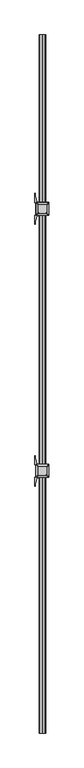
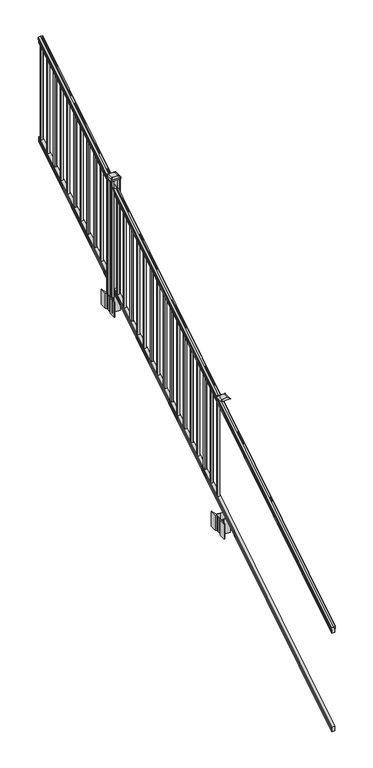
"""IFC4 building model written with IfcOpenShell, lengths in millimetres: railing geometry."""

from ifc_helpers import new_model, si_unit, point, frame, frame_2d, origin, place, context, project, spatial, polyline, circle_curve, ellipse_curve, trimmed, segment, composite_curve, outline, extrude, faceted_brep, source, transform, mapped, element, save
from ifc_brep_helpers import plane_surface, cylinder_surface, revolved_surface, extruded_surface, advanced_brep


def railing_9f5649a4(model_context):
    return source(origin(), model_context, "Body", "SolidModel", [
        advanced_brep(
        [(14004.9130321, -7669.8194681, 1285.6070492), (14004.9130321, -7669.8194681, 1287.8335658), (14006.0432184, -7669.8194681, 1289.6758543), (14006.0432184, -7669.8194681, 1298.1876358), (14005.393962, -7669.8194681, 1301.0572588), (14007.893962, -7669.8194681, 1306.1635509), (14009.3033045, -7669.8194681, 1308.1442021), (14009.7052035, -7669.8194681, 1309.4469579), (14009.7052034, -7669.8194681, 1311.0274846), (14008.1517561, -7669.8194681, 1312.8593836), (13987.4802034, -7669.8194681, 1312.8593836), (13966.8086506, -7669.8194681, 1312.8593836), (13965.2552034, -7669.8194681, 1311.0274846), (13965.2552034, -7669.8194681, 1309.4469579), (13965.6571023, -7669.8194681, 1308.1442021), (13967.0664447, -7669.8194681, 1306.1635509), (13969.5664447, -7669.8194681, 1301.0572588), (13968.9171883, -7669.8194681, 1298.1876358), (13968.9171883, -7669.8194681, 1289.6758543), (13970.0473746, -7669.8194681, 1287.8335658), (13970.0473746, -7669.8194681, 1285.6070492), (13972.6212034, -7669.8194681, 1285.6070492), (13972.6212034, -7669.8194681, 1273.225537), (13971.6052034, -7669.8194681, 1272.0274214), (13971.6052034, -7669.8194681, 1257.3), (14003.3552034, -7669.8194681, 1257.3), (14003.3552034, -7669.8194681, 1271.841318), (14002.3392034, -7669.8194681, 1273.0394336), (14002.3392034, -7669.8194681, 1285.6070492), (14004.9130321, -2793.0194681, 4333.6070492), (14002.3392034, -2793.0194681, 4333.6070492), (14002.3392034, -2793.0194681, 4321.0394336), (14003.3552034, -2793.0194681, 4319.841318), (14003.3552034, -2793.0194681, 4305.3), (13971.6052034, -2793.0194681, 4305.3), (13971.6052034, -2793.0194681, 4320.0274214), (13972.6212034, -2793.0194681, 4321.225537), (13972.6212034, -2793.0194681, 4333.6070492), (13970.0473746, -2793.0194681, 4333.6070492), (13970.0473746, -2793.0194681, 4335.8335658), (13968.9171883, -2793.0194681, 4337.6758543), (13968.9171883, -2793.0194681, 4346.1876358), (13969.5664447, -2793.0194681, 4349.0572588), (13967.0664447, -2793.0194681, 4354.1635509), (13965.6571023, -2793.0194681, 4356.1442021), (13965.2552033, -2793.0194681, 4357.4469579), (13965.2552034, -2793.0194681, 4359.0274846), (13966.8086506, -2793.0194681, 4360.8593836), (13987.4802034, -2793.0194681, 4360.8593836), (14008.1517561, -2793.0194681, 4360.8593836), (14009.7052034, -2793.0194681, 4359.0274846), (14009.7052034, -2793.0194681, 4357.4469579), (14009.3033045, -2793.0194681, 4356.1442021), (14007.893962, -2793.0194681, 4354.1635509), (14005.393962, -2793.0194681, 4349.0572588), (14006.0432184, -2793.0194681, 4346.1876358), (14006.0432184, -2793.0194681, 4337.6758543), (14004.9130321, -2793.0194681, 4335.8335658)],
        [
            (0, 1),
            (1, 2, ellipse_curve(frame((13998.5982788, -7669.8194681, 1294.6239405), z_axis=(0.0, -1.0, 0.0), x_axis=(0.0, 0.0, -1.0)), 10.0777926, 8.545951)),
            (2, 3, ellipse_curve(frame((13999.0353418, -7669.8194681, 1293.9317451), z_axis=(0.0, -1.0, 0.0), x_axis=(0.0, 0.0, -1.0)), 9.2955186, 7.882584)),
            (3, 4, ellipse_curve(frame((14009.5486659, -7669.8194681, 1300.8275077), z_axis=(0.0, 1.0, 0.0), x_axis=(0.0, 0.0, 1.0)), 4.9048088, 4.1592695)),
            (4, 5, ellipse_curve(frame((14010.8359725, -7669.8194681, 1300.7563208), z_axis=(0.0, 1.0, 0.0), x_axis=(0.0, 0.0, 1.0)), 6.4245301, 5.4479907)),
            (5, 6, ellipse_curve(frame((14009.602814, -7669.8194681, 1306.1602333), z_axis=(0.0, 1.0, 0.0), x_axis=(0.0, 0.0, 1.0)), 2.0151625, 1.7088543)),
            (6, 7, ellipse_curve(frame((14007.9859139, -7669.8194681, 1309.4469579), z_axis=(0.0, -1.0, 0.0), x_axis=(0.0, 0.0, -1.0)), 2.0274681, 1.7192895)),
            (7, 8),
            (8, 9, ellipse_curve(frame((14008.1517561, -7669.8194681, 1311.0274846), z_axis=(0.0, -1.0, 0.0), x_axis=(0.0, 0.0, -1.0)), 1.831899, 1.5534472)),
            (9, 10),
            (10, 11),
            (11, 12, ellipse_curve(frame((13966.8086506, -7669.8194681, 1311.0274846), z_axis=(0.0, -1.0, 0.0), x_axis=(0.0, 0.0, -1.0)), 1.831899, 1.5534472)),
            (12, 13),
            (13, 14, ellipse_curve(frame((13966.9744928, -7669.8194681, 1309.4469579), z_axis=(0.0, -1.0, 0.0), x_axis=(0.0, 0.0, -1.0)), 2.0274681, 1.7192895)),
            (14, 15, ellipse_curve(frame((13965.3575927, -7669.8194681, 1306.1602333), z_axis=(0.0, 1.0, 0.0), x_axis=(0.0, 0.0, 1.0)), 2.0151625, 1.7088543)),
            (15, 16, ellipse_curve(frame((13964.1244343, -7669.8194681, 1300.7563208), z_axis=(0.0, 1.0, 0.0), x_axis=(0.0, 0.0, 1.0)), 6.4245301, 5.4479907)),
            (16, 17, ellipse_curve(frame((13965.4117408, -7669.8194681, 1300.8275077), z_axis=(0.0, 1.0, 0.0), x_axis=(0.0, 0.0, 1.0)), 4.9048088, 4.1592695)),
            (17, 18, ellipse_curve(frame((13975.925065, -7669.8194681, 1293.9317451), z_axis=(0.0, -1.0, 0.0), x_axis=(0.0, 0.0, -1.0)), 9.2955186, 7.882584)),
            (18, 19, ellipse_curve(frame((13976.3621279, -7669.8194681, 1294.6239405), z_axis=(0.0, -1.0, 0.0), x_axis=(0.0, 0.0, -1.0)), 10.0777926, 8.545951)),
            (19, 20),
            (20, 21, ellipse_curve(frame((13971.334289, -7669.8194681, 1285.6070492), z_axis=(0.0, -1.0, 0.0), x_axis=(0.0, 0.0, -1.0)), 1.5175907, 1.2869144)),
            (21, 22),
            (22, 23),
            (23, 24),
            (24, 25),
            (25, 26),
            (26, 27),
            (27, 28),
            (28, 0, ellipse_curve(frame((14003.6261177, -7669.8194681, 1285.6070492), z_axis=(0.0, -1.0, 0.0), x_axis=(0.0, 0.0, -1.0)), 1.5175907, 1.2869144)),
            (29, 30, ellipse_curve(frame((14003.6261177, -2793.0194681, 4333.6070492), z_axis=(0.0, 1.0, 0.0), x_axis=(0.0, 0.0, -1.0)), 1.5175907, 1.2869144)),
            (30, 31),
            (31, 32),
            (32, 33),
            (33, 34),
            (34, 35),
            (35, 36),
            (36, 37),
            (37, 38, ellipse_curve(frame((13971.334289, -2793.0194681, 4333.6070492), z_axis=(0.0, 1.0, 0.0), x_axis=(0.0, 0.0, -1.0)), 1.5175907, 1.2869144)),
            (38, 39),
            (39, 40, ellipse_curve(frame((13976.3621279, -2793.0194681, 4342.6239405), z_axis=(0.0, 1.0, 0.0), x_axis=(0.0, 0.0, -1.0)), 10.0777926, 8.545951)),
            (40, 41, ellipse_curve(frame((13975.925065, -2793.0194681, 4341.9317451), z_axis=(0.0, 1.0, 0.0), x_axis=(0.0, 0.0, -1.0)), 9.2955186, 7.882584)),
            (41, 42, ellipse_curve(frame((13965.4117408, -2793.0194681, 4348.8275077), z_axis=(0.0, -1.0, 0.0), x_axis=(0.0, 0.0, 1.0)), 4.9048088, 4.1592695)),
            (42, 43, ellipse_curve(frame((13964.1244343, -2793.0194681, 4348.7563208), z_axis=(0.0, -1.0, 0.0), x_axis=(0.0, 0.0, 1.0)), 6.4245301, 5.4479907)),
            (43, 44, ellipse_curve(frame((13965.3575927, -2793.0194681, 4354.1602333), z_axis=(0.0, -1.0, 0.0), x_axis=(0.0, 0.0, 1.0)), 2.0151625, 1.7088543)),
            (44, 45, ellipse_curve(frame((13966.9744928, -2793.0194681, 4357.4469579), z_axis=(0.0, 1.0, 0.0), x_axis=(0.0, 0.0, -1.0)), 2.0274681, 1.7192895)),
            (45, 46),
            (46, 47, ellipse_curve(frame((13966.8086506, -2793.0194681, 4359.0274846), z_axis=(0.0, 1.0, 0.0), x_axis=(0.0, 0.0, -1.0)), 1.831899, 1.5534472)),
            (47, 48),
            (48, 49),
            (49, 50, ellipse_curve(frame((14008.1517561, -2793.0194681, 4359.0274846), z_axis=(0.0, 1.0, 0.0), x_axis=(0.0, 0.0, -1.0)), 1.831899, 1.5534472)),
            (50, 51),
            (51, 52, ellipse_curve(frame((14007.9859139, -2793.0194681, 4357.4469579), z_axis=(0.0, 1.0, 0.0), x_axis=(0.0, 0.0, -1.0)), 2.0274681, 1.7192895)),
            (52, 53, ellipse_curve(frame((14009.602814, -2793.0194681, 4354.1602333), z_axis=(0.0, -1.0, 0.0), x_axis=(0.0, 0.0, 1.0)), 2.0151625, 1.7088543)),
            (53, 54, ellipse_curve(frame((14010.8359725, -2793.0194681, 4348.7563208), z_axis=(0.0, -1.0, 0.0), x_axis=(0.0, 0.0, 1.0)), 6.4245301, 5.4479907)),
            (54, 55, ellipse_curve(frame((14009.5486659, -2793.0194681, 4348.8275077), z_axis=(0.0, -1.0, 0.0), x_axis=(0.0, 0.0, 1.0)), 4.9048088, 4.1592695)),
            (55, 56, ellipse_curve(frame((13999.0353418, -2793.0194681, 4341.9317451), z_axis=(0.0, 1.0, 0.0), x_axis=(0.0, 0.0, -1.0)), 9.2955186, 7.882584)),
            (56, 57, ellipse_curve(frame((13998.5982788, -2793.0194681, 4342.6239405), z_axis=(0.0, 1.0, 0.0), x_axis=(0.0, 0.0, -1.0)), 10.0777926, 8.545951)),
            (57, 29),
            (28, 30),
            (29, 0),
            (27, 31),
            (26, 32),
            (25, 33),
            (24, 34),
            (23, 35),
            (22, 36),
            (21, 37),
            (20, 38),
            (19, 39),
            (18, 40),
            (17, 41),
            (16, 42),
            (15, 43),
            (14, 44),
            (13, 45),
            (12, 46),
            (11, 47),
            (10, 48),
            (9, 49),
            (8, 50),
            (7, 51),
            (6, 52),
            (5, 53),
            (4, 54),
            (3, 55),
            (2, 56),
            (1, 57),
        ],
        [
            plane_surface(frame((13987.4802034, -7669.8194681, 1257.3), z_axis=(0.0, -1.0, 0.0), x_axis=(0.0, 0.0, 1.0))),
            plane_surface(frame((13987.4802034, -2793.0194681, 4305.3), z_axis=(0.0, 1.0, 0.0), x_axis=(0.0, 0.0, 1.0))),
            cylinder_surface(frame((14003.6261177, -7682.5417374, 1277.6556309), z_axis=(0.0, -0.8479983040051253, -0.5299989400031204), x_axis=(-1.0, 0.0, 0.0)), 1.2869144),
            plane_surface(frame((14002.3392034, -7669.8194681, 1273.0394336), z_axis=(1.0000000000000002, 0.0, 0.0), x_axis=(0.0, 0.8479983040051253, 0.5299989400031204))),
            plane_surface(frame((14003.3552034, -7669.8194681, 1271.841318), z_axis=(0.7071067811865389, -0.3747658444978942, 0.5996253511967224), x_axis=(0.0, 0.8479983040051252, 0.5299989400031204))),
            plane_surface(frame((14003.3552034, -7669.8194681, 1257.3), z_axis=(1.0000000000000002, 0.0, 0.0), x_axis=(0.0, 0.8479983040051253, 0.5299989400031204))),
            plane_surface(frame((13971.6052034, -7669.8194681, 1257.3), z_axis=(0.0, 0.5299989400031204, -0.8479983040051253), x_axis=(0.0, 0.8479983040051253, 0.5299989400031204))),
            plane_surface(frame((13971.6052034, -7669.8194681, 1272.0274214), z_axis=(-1.0000000000000002, 0.0, 0.0), x_axis=(0.0, 0.8479983040051253, 0.5299989400031204))),
            plane_surface(frame((13972.6212034, -7669.8194681, 1273.225537), z_axis=(-0.7071067811865438, -0.3747658444978897, 0.5996253511967192), x_axis=(0.0, 0.8479983040051252, 0.5299989400031204))),
            plane_surface(frame((13972.6212034, -7669.8194681, 1285.6070492), z_axis=(-1.0000000000000002, 0.0, 0.0), x_axis=(0.0, 0.8479983040051253, 0.5299989400031204))),
            cylinder_surface(frame((13971.334289, -7682.5417374, 1277.6556309), z_axis=(0.0, -0.8479983040051253, -0.5299989400031204), x_axis=(1.0, 0.0, 0.0)), 1.2869144),
            plane_surface(frame((13970.0473746, -7669.8194681, 1287.8335658), z_axis=(-1.0000000000000002, 0.0, 0.0), x_axis=(0.0, 0.8479983040051253, 0.5299989400031204))),
            cylinder_surface(frame((13976.3621279, -7686.5942728, 1284.1396876), z_axis=(0.0, -0.8479983040051253, -0.5299989400031204), x_axis=(1.0, 0.0, 0.0)), 8.545951),
            cylinder_surface(frame((13975.925065, -7686.2831737, 1283.641929), z_axis=(0.0, -0.8479983040051253, -0.5299989400031204), x_axis=(1.0, 0.0, 0.0)), 7.882584),
            revolved_surface(polyline([(13969.5710103, -2790.8150596503465, 4350.205262980555), (13969.5710103, -7672.023876549438, 1299.4497524191)]), (13965.4117408, -7689.3823929, 1288.6006797), (0.0, 0.8479983040051253, 0.5299989400031204)),
            revolved_surface(polyline([(13969.572425, -2790.132038835738, 4350.5609640771845), (13969.572425, -7672.7068973528085, 1298.9516775044933)]), (13964.1244343, -7689.3503988, 1288.5494891), (0.0, 0.8479983040051253, 0.5299989400031204)),
            revolved_surface(polyline([(13967.066447000001, -2792.113777099784, 4354.726290199656), (13967.066447000001, -7670.725159122471, 1305.5941764359536)]), (13965.3575927, -7691.7791235, 1292.4354487), (0.0, 0.8479983040051253, 0.5299989400031204)),
            cylinder_surface(frame((13966.9744928, -7693.2563031, 1294.798936), z_axis=(0.0, -0.8479983040051253, -0.5299989400031204), x_axis=(1.0, 0.0, 0.0)), 1.7192895),
            plane_surface(frame((13965.2552034, -7669.8194681, 1311.0274846), z_axis=(-1.0000000000000002, 0.0, 0.0), x_axis=(0.0, 0.8479983040051253, 0.5299989400031204))),
            cylinder_surface(frame((13966.8086506, -7693.9666522, 1295.9354945), z_axis=(0.0, -0.8479983040051253, -0.5299989400031204), x_axis=(1.0, 0.0, 0.0)), 1.5534472),
            plane_surface(frame((13987.4802034, -7669.8194681, 1312.8593836), z_axis=(0.0, -0.5299989400031204, 0.8479983040051253), x_axis=(0.0, 0.8479983040051253, 0.5299989400031204))),
            plane_surface(frame((14008.1517561, -7669.8194681, 1312.8593836), z_axis=(0.0, -0.5299989400031204, 0.8479983040051253), x_axis=(0.0, 0.8479983040051253, 0.5299989400031204))),
            cylinder_surface(frame((14008.1517561, -7693.9666522, 1295.9354945), z_axis=(0.0, -0.8479983040051253, -0.5299989400031204), x_axis=(-1.0, 0.0, 0.0)), 1.5534472),
            plane_surface(frame((14009.7052034, -7669.8194681, 1309.4469579), z_axis=(1.0000000000000002, 0.0, 0.0), x_axis=(0.0, 0.8479983040051253, 0.5299989400031204))),
            cylinder_surface(frame((14007.9859139, -7693.2563031, 1294.798936), z_axis=(0.0, -0.8479983040051253, -0.5299989400031204), x_axis=(-1.0, 0.0, 0.0)), 1.7192895),
            revolved_surface(polyline([(14007.893959699999, -2792.113777099784, 4354.726290199656), (14007.893959699999, -7670.725159122471, 1305.5941764359536)]), (14009.602814, -7691.7791235, 1292.4354487), (0.0, 0.8479983040051253, 0.5299989400031204)),
            revolved_surface(polyline([(14005.387981799999, -2790.132038835738, 4350.5609640771845), (14005.387981799999, -7672.7068973528085, 1298.9516775044933)]), (14010.8359725, -7689.3503988, 1288.5494891), (0.0, 0.8479983040051253, 0.5299989400031204)),
            revolved_surface(polyline([(14005.3893964, -2790.8150596503465, 4350.205262980555), (14005.3893964, -7672.023876549438, 1299.4497524191)]), (14009.5486659, -7689.3823929, 1288.6006797), (0.0, 0.8479983040051253, 0.5299989400031204)),
            cylinder_surface(frame((13999.0353418, -7686.2831737, 1283.641929), z_axis=(0.0, -0.8479983040051253, -0.5299989400031204), x_axis=(-1.0, 0.0, 0.0)), 7.882584),
            cylinder_surface(frame((13998.5982788, -7686.5942728, 1284.1396876), z_axis=(0.0, -0.8479983040051253, -0.5299989400031204), x_axis=(-1.0, 0.0, 0.0)), 8.545951),
            plane_surface(frame((14004.9130321, -7669.8194681, 1285.6070492), z_axis=(1.0, 0.0, 0.0), x_axis=(0.0, 0.8479983040051253, 0.5299989400031203))),
        ],
        [
            (0, [[1, 2, 3, 4, 5, 6, 7, 8, 9, 10, 11, 12, 13, 14, 15, 16, 17, 18, 19, 20, 21, 22, 23, 24, 25, 26, 27, 28, 29]]),
            (1, [[30, 31, 32, 33, 34, 35, 36, 37, 38, 39, 40, 41, 42, 43, 44, 45, 46, 47, 48, 49, 50, 51, 52, 53, 54, 55, 56, 57, 58]]),
            (2, [[-29, 59, -30, 60]]),
            (3, [[-28, 61, -31, -59]]),
            (4, [[-27, 62, -32, -61]]),
            (5, [[-26, 63, -33, -62]]),
            (6, [[-25, 64, -34, -63]]),
            (7, [[-24, 65, -35, -64]]),
            (8, [[-23, 66, -36, -65]]),
            (9, [[-22, 67, -37, -66]]),
            (10, [[-21, 68, -38, -67]]),
            (11, [[-20, 69, -39, -68]]),
            (12, [[-19, 70, -40, -69]]),
            (13, [[-18, 71, -41, -70]]),
            (14, [[-17, 72, -42, -71]]),
            (15, [[-16, 73, -43, -72]]),
            (16, [[-15, 74, -44, -73]]),
            (17, [[-14, 75, -45, -74]]),
            (18, [[-13, 76, -46, -75]]),
            (19, [[-12, 77, -47, -76]]),
            (20, [[-11, 78, -48, -77]]),
            (21, [[-10, 79, -49, -78]]),
            (22, [[-9, 80, -50, -79]]),
            (23, [[-8, 81, -51, -80]]),
            (24, [[-7, 82, -52, -81]]),
            (25, [[-6, 83, -53, -82]]),
            (26, [[-5, 84, -54, -83]]),
            (27, [[-4, 85, -55, -84]]),
            (28, [[-3, 86, -56, -85]]),
            (29, [[-2, 87, -57, -86]]),
            (30, [[-1, -60, -58, -87]]),
        ],
    ),
        faceted_brep([(14003.3926903, -7669.8194681, 268.8045079), (14002.3766903, -7669.8194681, 270.338026), (14002.3766903, -7669.8194681, 282.5545048), (14003.3926903, -7669.8194681, 284.1444579), (14003.3926903, -7669.8194681, 298.9244744), (13971.6426903, -7669.8194681, 298.9244744), (13971.6426903, -7669.8194681, 284.1248272), (13972.6586903, -7669.8194681, 282.5348741), (13972.6586903, -7669.8194681, 270.3748303), (13971.6426903, -7669.8194681, 268.7848772), (13971.6426903, -7669.8194681, 254.0), (14003.3926903, -7669.8194681, 254.0), (14003.3926903, -2793.0194681, 3316.8045079), (14003.3926903, -2793.0194681, 3302.0), (13971.6426903, -2793.0194681, 3302.0), (13971.6426903, -2793.0194681, 3316.7848772), (13972.6586903, -2793.0194681, 3318.3748303), (13972.6586903, -2793.0194681, 3330.5348741), (13971.6426903, -2793.0194681, 3332.1248272), (13971.6426903, -2793.0194681, 3346.9244744), (14003.3926903, -2793.0194681, 3346.9244744), (14003.3926903, -2793.0194681, 3332.1444579), (14002.3766903, -2793.0194681, 3330.5545048), (14002.3766903, -2793.0194681, 3318.338026)], [[[0, 1, 2, 3, 4, 5, 6, 7, 8, 9, 10, 11]], [[12, 13, 14, 15, 16, 17, 18, 19, 20, 21, 22, 23]], [[0, 11, 13, 12]], [[11, 10, 14, 13]], [[10, 9, 15, 14]], [[9, 8, 16, 15]], [[8, 7, 17, 16]], [[7, 6, 18, 17]], [[6, 5, 19, 18]], [[5, 4, 20, 19]], [[4, 3, 21, 20]], [[3, 2, 22, 21]], [[2, 1, 23, 22]], [[1, 0, 12, 23]]]),
        extrude(outline(polyline([(13997.0052034, -2824.1344681), (13977.9552034, -2824.1344681), (13977.9552034, -2805.0844681), (13997.0052034, -2805.0844681), (13997.0052034, -2824.1344681)]), holes=[polyline([(13996.6083284, -2823.7375931), (13996.6083284, -2805.4813431), (13978.3520784, -2805.4813431), (13978.3520784, -2823.7375931), (13996.6083284, -2823.7375931)])]), frame((0.0, 0.0, 3326.6021281), z_axis=(0.0, 0.0, 1.0), x_axis=(1.0, 0.0, 0.0)), (0.0, 0.0, 1.0), 965.2041219),
        extrude(outline(polyline([(13997.0052034, -2935.3864681), (13977.9552034, -2935.3864681), (13977.9552034, -2916.3364681), (13997.0052034, -2916.3364681), (13997.0052034, -2935.3864681)]), holes=[polyline([(13996.6083284, -2934.9895931), (13996.6083284, -2916.7333431), (13978.3520784, -2916.7333431), (13978.3520784, -2934.9895931), (13996.6083284, -2934.9895931)])]), frame((0.0, 0.0, 3257.0696281), z_axis=(0.0, 0.0, 1.0), x_axis=(1.0, 0.0, 0.0)), (0.0, 0.0, 1.0), 965.2041219),
        extrude(outline(polyline([(13997.0052034, -3046.6384681), (13977.9552034, -3046.6384681), (13977.9552034, -3027.5884681), (13997.0052034, -3027.5884681), (13997.0052034, -3046.6384681)]), holes=[polyline([(13996.6083284, -3046.2415931), (13996.6083284, -3027.9853431), (13978.3520784, -3027.9853431), (13978.3520784, -3046.2415931), (13996.6083284, -3046.2415931)])]), frame((0.0, 0.0, 3187.5371281), z_axis=(0.0, 0.0, 1.0), x_axis=(1.0, 0.0, 0.0)), (0.0, 0.0, 1.0), 965.2041219),
        extrude(outline(polyline([(13997.0052034, -3157.8904681), (13977.9552034, -3157.8904681), (13977.9552034, -3138.8404681), (13997.0052034, -3138.8404681), (13997.0052034, -3157.8904681)]), holes=[polyline([(13996.6083284, -3157.4935931), (13996.6083284, -3139.2373431), (13978.3520784, -3139.2373431), (13978.3520784, -3157.4935931), (13996.6083284, -3157.4935931)])]), frame((0.0, 0.0, 3118.0046281), z_axis=(0.0, 0.0, 1.0), x_axis=(1.0, 0.0, 0.0)), (0.0, 0.0, 1.0), 965.2041219),
        extrude(outline(polyline([(13997.0052034, -3269.1424681), (13977.9552034, -3269.1424681), (13977.9552034, -3250.0924681), (13997.0052034, -3250.0924681), (13997.0052034, -3269.1424681)]), holes=[polyline([(13996.6083284, -3268.7455931), (13996.6083284, -3250.4893431), (13978.3520784, -3250.4893431), (13978.3520784, -3268.7455931), (13996.6083284, -3268.7455931)])]), frame((0.0, 0.0, 3048.4721281), z_axis=(0.0, 0.0, 1.0), x_axis=(1.0, 0.0, 0.0)), (0.0, 0.0, 1.0), 965.2041219),
        extrude(outline(polyline([(13997.0052034, -3380.3944681), (13977.9552034, -3380.3944681), (13977.9552034, -3361.3444681), (13997.0052034, -3361.3444681), (13997.0052034, -3380.3944681)]), holes=[polyline([(13996.6083284, -3379.9975931), (13996.6083284, -3361.7413431), (13978.3520784, -3361.7413431), (13978.3520784, -3379.9975931), (13996.6083284, -3379.9975931)])]), frame((0.0, 0.0, 2978.9396281), z_axis=(0.0, 0.0, 1.0), x_axis=(1.0, 0.0, 0.0)), (0.0, 0.0, 1.0), 965.2041219),
        extrude(outline(polyline([(13997.0052034, -3491.6464681), (13977.9552034, -3491.6464681), (13977.9552034, -3472.5964681), (13997.0052034, -3472.5964681), (13997.0052034, -3491.6464681)]), holes=[polyline([(13996.6083284, -3491.2495931), (13996.6083284, -3472.9933431), (13978.3520784, -3472.9933431), (13978.3520784, -3491.2495931), (13996.6083284, -3491.2495931)])]), frame((0.0, 0.0, 2909.4071281), z_axis=(0.0, 0.0, 1.0), x_axis=(1.0, 0.0, 0.0)), (0.0, 0.0, 1.0), 965.2041219),
        extrude(outline(polyline([(13997.0052034, -3602.8984681), (13977.9552034, -3602.8984681), (13977.9552034, -3583.8484681), (13997.0052034, -3583.8484681), (13997.0052034, -3602.8984681)]), holes=[polyline([(13996.6083284, -3602.5015931), (13996.6083284, -3584.2453431), (13978.3520784, -3584.2453431), (13978.3520784, -3602.5015931), (13996.6083284, -3602.5015931)])]), frame((0.0, 0.0, 2839.8746281), z_axis=(0.0, 0.0, 1.0), x_axis=(1.0, 0.0, 0.0)), (0.0, 0.0, 1.0), 965.2041219),
        extrude(outline(polyline([(13997.0052034, -3714.1504681), (13977.9552034, -3714.1504681), (13977.9552034, -3695.1004681), (13997.0052034, -3695.1004681), (13997.0052034, -3714.1504681)]), holes=[polyline([(13996.6083284, -3713.7535931), (13996.6083284, -3695.4973431), (13978.3520784, -3695.4973431), (13978.3520784, -3713.7535931), (13996.6083284, -3713.7535931)])]), frame((0.0, 0.0, 2770.3421281), z_axis=(0.0, 0.0, 1.0), x_axis=(1.0, 0.0, 0.0)), (0.0, 0.0, 1.0), 965.2041219),
        extrude(outline(polyline([(13997.0052034, -3825.4024681), (13977.9552034, -3825.4024681), (13977.9552034, -3806.3524681), (13997.0052034, -3806.3524681), (13997.0052034, -3825.4024681)]), holes=[polyline([(13996.6083284, -3825.0055931), (13996.6083284, -3806.7493431), (13978.3520784, -3806.7493431), (13978.3520784, -3825.0055931), (13996.6083284, -3825.0055931)])]), frame((0.0, 0.0, 2700.8096281), z_axis=(0.0, 0.0, 1.0), x_axis=(1.0, 0.0, 0.0)), (0.0, 0.0, 1.0), 965.2041219),
        extrude(outline(polyline([(13997.0052034, -3936.6544681), (13977.9552034, -3936.6544681), (13977.9552034, -3917.6044681), (13997.0052034, -3917.6044681), (13997.0052034, -3936.6544681)]), holes=[polyline([(13996.6083284, -3936.2575931), (13996.6083284, -3918.0013431), (13978.3520784, -3918.0013431), (13978.3520784, -3936.2575931), (13996.6083284, -3936.2575931)])]), frame((0.0, 0.0, 2631.2771281), z_axis=(0.0, 0.0, 1.0), x_axis=(1.0, 0.0, 0.0)), (0.0, 0.0, 1.0), 965.2041219),
        extrude(outline(composite_curve([segment(polyline([(14030.2157034, -4025.541563), (14031.8032034, -4026.303563), (14031.8032034, -4049.105491), (14028.4302263, -4052.4784681), (13966.9705555, -4052.4784681), (13966.9705555, -4053.3992181), (13961.6530117, -4053.3992181), (13961.6530117, -4054.8534728), (13956.568482, -4054.8534728), (13956.568482, -4056.1374966), (13954.9012097, -4056.1374966)]), True, "CONTINUOUS"), segment(trimmed(circle_curve(frame_2d((13954.9012097, -4063.1969565)), 7.0594599), [point((13954.9012097, -4056.1374966))], [point((13948.1339468, -4061.1869498))], True, "CARTESIAN"), True, "CONTINUOUS"), segment(polyline([(13948.1339468, -4061.1869498), (13940.2597526, -4087.6976789)]), True, "CONTINUOUS"), segment(trimmed(circle_curve(frame_2d((13995.0442659, -4103.9697285)), 57.15), [point((13940.2597526, -4087.6976789))], [point((13937.8942659, -4103.9697285))], True, "CARTESIAN"), True, "CONTINUOUS"), segment(polyline([(13937.8942659, -4103.9697285), (13937.8942659, -4115.9784681), (13934.8942659, -4115.9784681), (13934.8942659, -4050.8909681), (13943.1572034, -4039.5526768), (13943.1572034, -4026.303563), (13944.7447034, -4025.541563), (13944.7447034, -3990.7693732), (13943.1572034, -3990.0073732), (13943.1572034, -3976.7582594), (13934.8942659, -3965.4199681), (13934.8942659, -3900.3324681), (13937.8942659, -3900.3324681), (13937.8942659, -3912.3412076)]), True, "CONTINUOUS"), segment(trimmed(circle_curve(frame_2d((13995.0442659, -3912.3412076)), 57.15), [point((13937.8942659, -3912.3412076))], [point((13940.2597526, -3928.6132573))], True, "CARTESIAN"), True, "CONTINUOUS"), segment(polyline([(13940.2597526, -3928.6132573), (13948.1339468, -3955.1239864)]), True, "CONTINUOUS"), segment(trimmed(circle_curve(frame_2d((13954.9012097, -3953.1139797)), 7.0594599), [point((13948.1339468, -3955.1239864))], [point((13954.9012097, -3960.1734396))], True, "CARTESIAN"), True, "CONTINUOUS"), segment(polyline([(13954.9012097, -3960.1734396), (13956.568482, -3960.1734396), (13956.568482, -3961.4574634), (13961.6530117, -3961.4574634), (13961.6530117, -3962.9117181), (13966.9705555, -3962.9117181), (13966.9705555, -3963.8324681), (14028.4302263, -3963.8324681), (14031.8032034, -3967.2054452), (14031.8032034, -3990.0073732), (14030.2157034, -3990.7693732), (14030.2157034, -4025.541563)]), True, "CONTINUOUS")], self_intersect=False), holes=[polyline([(13946.2052034, -3968.4679681), (13946.2052034, -4047.8429681), (13947.7927034, -4049.4304681), (13984.716986, -4049.4304681), (14027.1677034, -4049.4304681), (14028.7552034, -4047.8429681), (14028.7552034, -3968.4679681), (14027.1677034, -3966.8804681), (13984.716986, -3966.8804681), (13947.7927034, -3966.8804681), (13946.2052034, -3968.4679681)])]), frame((0.0, 0.0, 2326.64), z_axis=(0.0, 0.0, 1.0), x_axis=(1.0, 0.0, 0.0)), (0.0, 0.0, 1.0), 152.4),
        advanced_brep(
        [(13961.6833284, -4037.1273431, 3691.379263), (14013.2770784, -4037.1273431, 3691.379263), (14016.4520784, -4033.9523431, 3691.379263), (14016.4520784, -3982.3585931, 3691.379263), (14013.2770784, -3979.1835931, 3691.379263), (13961.6833284, -3979.1835931, 3691.379263), (13958.5083284, -3982.3585931, 3691.379263), (13958.5083284, -4033.9523431, 3691.379263), (13945.4114534, -4053.3992181, 3680.076263), (13942.2364534, -4050.2242181, 3680.076263), (13942.2364534, -3966.0867181, 3680.076263), (13945.4114534, -3962.9117181, 3680.076263), (14029.5489534, -3962.9117181, 3680.076263), (14032.7239534, -3966.0867181, 3680.076263), (14032.7239534, -4050.2242181, 3680.076263), (14029.5489534, -4053.3992181, 3680.076263)],
        [
            (0, 1),
            (1, 2, circle_curve(frame((14013.2770784, -4033.9523431, 3691.379263), z_axis=(0.0, 0.0, 1.0), x_axis=(0.0, 1.0, 0.0)), 3.175)),
            (2, 3),
            (3, 4, circle_curve(frame((14013.2770784, -3982.3585931, 3691.379263), z_axis=(0.0, 0.0, 1.0), x_axis=(0.0, 1.0, 0.0)), 3.175)),
            (4, 5),
            (5, 6, circle_curve(frame((13961.6833284, -3982.3585931, 3691.379263), z_axis=(0.0, 0.0, 1.0), x_axis=(0.0, 1.0, 0.0)), 3.175)),
            (6, 7),
            (7, 0, circle_curve(frame((13961.6833284, -4033.9523431, 3691.379263), z_axis=(0.0, 0.0, 1.0), x_axis=(0.0, 1.0, 0.0)), 3.175)),
            (8, 9, circle_curve(frame((13945.4114534, -4050.2242181, 3680.076263), z_axis=(0.0, 0.0, -1.0), x_axis=(0.0, 1.0, 0.0)), 3.175)),
            (9, 10),
            (10, 11, circle_curve(frame((13945.4114534, -3966.0867181, 3680.076263), z_axis=(0.0, 0.0, -1.0), x_axis=(0.0, 1.0, 0.0)), 3.175)),
            (11, 12),
            (12, 13, circle_curve(frame((14029.5489534, -3966.0867181, 3680.076263), z_axis=(0.0, 0.0, -1.0), x_axis=(0.0, 1.0, 0.0)), 3.175)),
            (13, 14),
            (14, 15, circle_curve(frame((14029.5489534, -4050.2242181, 3680.076263), z_axis=(0.0, 0.0, -1.0), x_axis=(0.0, 1.0, 0.0)), 3.175)),
            (15, 8),
            (8, 0),
            (7, 9),
            (6, 10),
            (5, 11),
            (4, 12),
            (3, 13),
            (2, 14),
            (1, 15),
        ],
        [
            plane_surface(frame((13987.4802034, -4008.1554681, 3691.379263), z_axis=(0.0, 0.0, 1.0), x_axis=(-1.0, 0.0, 0.0))),
            plane_surface(frame((13987.4802034, -4008.1554681, 3680.076263), z_axis=(0.0, 0.0, -1.0), x_axis=(-1.0, 0.0, 0.0))),
            extruded_surface(trimmed(circle_curve(frame((13961.6833284, -4033.9523431, 3691.379263), z_axis=(0.0, 0.0, -1.0), x_axis=(0.0, 1.0, 0.0)), 3.175), [point((13961.6833284, -4037.1273431, 3691.379263))], [point((13958.5083284, -4033.9523431, 3691.379263))], True, "CARTESIAN"), (-16.271875000000364, -16.271875000000364, -11.302999999999884), 25.63797263886657),
            plane_surface(frame((13942.2364534, -4008.1554681, 3680.076263), z_axis=(-0.5705009161540778, 0.0, 0.8212969649690408), x_axis=(0.0, 1.0, 0.0))),
            extruded_surface(trimmed(circle_curve(frame((13961.6833284, -3982.3585931, 3691.379263), z_axis=(0.0, 0.0, -1.0), x_axis=(0.0, 1.0, 0.0)), 3.175), [point((13958.5083284, -3982.3585931, 3691.379263))], [point((13961.6833284, -3979.1835931, 3691.379263))], True, "CARTESIAN"), (-16.271875000000364, 16.27187499999991, -11.302999999999884), 25.637972638866284),
            plane_surface(frame((13987.4802034, -3962.9117181, 3680.076263), z_axis=(0.0, 0.5705009161540291, 0.8212969649690747), x_axis=(1.0, 0.0, 0.0))),
            extruded_surface(trimmed(circle_curve(frame((14013.2770784, -3982.3585931, 3691.379263), z_axis=(0.0, 0.0, -1.0), x_axis=(0.0, 1.0, 0.0)), 3.175), [point((14013.2770784, -3979.1835931, 3691.379263))], [point((14016.4520784, -3982.3585931, 3691.379263))], True, "CARTESIAN"), (16.271875000000364, 16.27187499999991, -11.302999999999884), 25.637972638866284),
            plane_surface(frame((14032.7239534, -4008.1554681, 3680.076263), z_axis=(0.5705009161540142, 0.0, 0.8212969649690851), x_axis=(0.0, -1.0, 0.0))),
            extruded_surface(trimmed(circle_curve(frame((14013.2770784, -4033.9523431, 3691.379263), z_axis=(0.0, 0.0, -1.0), x_axis=(0.0, 1.0, 0.0)), 3.175), [point((14016.4520784, -4033.9523431, 3691.379263))], [point((14013.2770784, -4037.1273431, 3691.379263))], True, "CARTESIAN"), (16.271875000000364, -16.271875000000364, -11.302999999999884), 25.63797263886657),
            plane_surface(frame((13987.4802034, -4053.3992181, 3680.076263), z_axis=(0.0, -0.570500916154034, 0.8212969649690713), x_axis=(-1.0, 0.0, 0.0))),
        ],
        [
            (0, [[1, 2, 3, 4, 5, 6, 7, 8]]),
            (1, [[9, 10, 11, 12, 13, 14, 15, 16]]),
            (2, [[17, -8, 18, -9]]),
            (3, [[-18, -7, 19, -10]]),
            (4, [[-19, -6, 20, -11]]),
            (5, [[-20, -5, 21, -12]]),
            (6, [[-21, -4, 22, -13]]),
            (7, [[-22, -3, 23, -14]]),
            (8, [[-23, -2, 24, -15]]),
            (9, [[-24, -1, -17, -16]]),
        ],
    ),
        extrude(outline(composite_curve([segment(trimmed(circle_curve(frame_2d((13945.4114534, -4050.2242181)), 3.175), [point((13945.4114534, -4053.3992181))], [point((13942.2364534, -4050.2242181))], False, "CARTESIAN"), True, "CONTINUOUS"), segment(polyline([(13942.2364534, -4050.2242181), (13942.2364534, -3966.0867181)]), True, "CONTINUOUS"), segment(trimmed(circle_curve(frame_2d((13945.4114534, -3966.0867181)), 3.175), [point((13942.2364534, -3966.0867181))], [point((13945.4114534, -3962.9117181))], False, "CARTESIAN"), True, "CONTINUOUS"), segment(polyline([(13945.4114534, -3962.9117181), (14029.5489534, -3962.9117181)]), True, "CONTINUOUS"), segment(trimmed(circle_curve(frame_2d((14029.5489534, -3966.0867181)), 3.175), [point((14029.5489534, -3962.9117181))], [point((14032.7239534, -3966.0867181))], False, "CARTESIAN"), True, "CONTINUOUS"), segment(polyline([(14032.7239534, -3966.0867181), (14032.7239534, -4050.2242181)]), True, "CONTINUOUS"), segment(trimmed(circle_curve(frame_2d((14029.5489534, -4050.2242181)), 3.175), [point((14032.7239534, -4050.2242181))], [point((14029.5489534, -4053.3992181))], False, "CARTESIAN"), True, "CONTINUOUS"), segment(polyline([(14029.5489534, -4053.3992181), (13945.4114534, -4053.3992181)]), True, "CONTINUOUS")], self_intersect=False)), frame((0.0, 0.0, 3662.804263), z_axis=(0.0, 0.0, 1.0), x_axis=(1.0, 0.0, 0.0)), (0.0, 0.0, 1.0), 17.272),
        extrude(outline(polyline([(13947.7927034, -4049.4304681), (13946.2052034, -4047.8429681), (13946.2052034, -4028.2214681), (13947.7927034, -4027.4594681), (13947.7927034, -3988.8514681), (13946.2052034, -3988.0894681), (13946.2052034, -3968.4679681), (13947.7927034, -3966.8804681), (13967.4142034, -3966.8804681), (13968.1762034, -3968.4679681), (14006.7842034, -3968.4679681), (14007.5462034, -3966.8804681), (14027.1677034, -3966.8804681), (14028.7552034, -3968.4679681), (14028.7552034, -3988.0894681), (14027.1677034, -3988.8514681), (14027.1677034, -4027.4594681), (14028.7552034, -4028.2214681), (14028.7552034, -4047.8429681), (14027.1677034, -4049.4304681), (14007.5462034, -4049.4304681), (14006.7842034, -4047.8429681), (13968.1762034, -4047.8429681), (13967.4142034, -4049.4304681), (13947.7927034, -4049.4304681)])), frame((0.0, 0.0, 2479.04), z_axis=(0.0, 0.0, 1.0), x_axis=(1.0, 0.0, 0.0)), (0.0, 0.0, 1.0), 1183.764263),
        extrude(outline(polyline([(13997.0052034, -4098.7064681), (13977.9552034, -4098.7064681), (13977.9552034, -4079.6564681), (13997.0052034, -4079.6564681), (13997.0052034, -4098.7064681)]), holes=[polyline([(13996.6083284, -4098.3095931), (13996.6083284, -4080.0533431), (13978.3520784, -4080.0533431), (13978.3520784, -4098.3095931), (13996.6083284, -4098.3095931)])]), frame((0.0, 0.0, 2529.9946281), z_axis=(0.0, 0.0, 1.0), x_axis=(1.0, 0.0, 0.0)), (0.0, 0.0, 1.0), 965.2041219),
        extrude(outline(polyline([(13997.0052034, -4209.9584681), (13977.9552034, -4209.9584681), (13977.9552034, -4190.9084681), (13997.0052034, -4190.9084681), (13997.0052034, -4209.9584681)]), holes=[polyline([(13996.6083284, -4209.5615931), (13996.6083284, -4191.3053431), (13978.3520784, -4191.3053431), (13978.3520784, -4209.5615931), (13996.6083284, -4209.5615931)])]), frame((0.0, 0.0, 2460.4621281), z_axis=(0.0, 0.0, 1.0), x_axis=(1.0, 0.0, 0.0)), (0.0, 0.0, 1.0), 965.2041219),
        extrude(outline(polyline([(13997.0052034, -4321.2104681), (13977.9552034, -4321.2104681), (13977.9552034, -4302.1604681), (13997.0052034, -4302.1604681), (13997.0052034, -4321.2104681)]), holes=[polyline([(13996.6083284, -4320.8135931), (13996.6083284, -4302.5573431), (13978.3520784, -4302.5573431), (13978.3520784, -4320.8135931), (13996.6083284, -4320.8135931)])]), frame((0.0, 0.0, 2390.9296281), z_axis=(0.0, 0.0, 1.0), x_axis=(1.0, 0.0, 0.0)), (0.0, 0.0, 1.0), 965.2041219),
        extrude(outline(polyline([(13997.0052034, -4432.4624681), (13977.9552034, -4432.4624681), (13977.9552034, -4413.4124681), (13997.0052034, -4413.4124681), (13997.0052034, -4432.4624681)]), holes=[polyline([(13996.6083284, -4432.0655931), (13996.6083284, -4413.8093431), (13978.3520784, -4413.8093431), (13978.3520784, -4432.0655931), (13996.6083284, -4432.0655931)])]), frame((0.0, 0.0, 2321.3971281), z_axis=(0.0, 0.0, 1.0), x_axis=(1.0, 0.0, 0.0)), (0.0, 0.0, 1.0), 965.2041219),
        extrude(outline(polyline([(13997.0052034, -4543.7144681), (13977.9552034, -4543.7144681), (13977.9552034, -4524.6644681), (13997.0052034, -4524.6644681), (13997.0052034, -4543.7144681)]), holes=[polyline([(13996.6083284, -4543.3175931), (13996.6083284, -4525.0613431), (13978.3520784, -4525.0613431), (13978.3520784, -4543.3175931), (13996.6083284, -4543.3175931)])]), frame((0.0, 0.0, 2251.8646281), z_axis=(0.0, 0.0, 1.0), x_axis=(1.0, 0.0, 0.0)), (0.0, 0.0, 1.0), 965.2041219),
        extrude(outline(polyline([(13997.0052034, -4654.9664681), (13977.9552034, -4654.9664681), (13977.9552034, -4635.9164681), (13997.0052034, -4635.9164681), (13997.0052034, -4654.9664681)]), holes=[polyline([(13996.6083284, -4654.5695931), (13996.6083284, -4636.3133431), (13978.3520784, -4636.3133431), (13978.3520784, -4654.5695931), (13996.6083284, -4654.5695931)])]), frame((0.0, 0.0, 2182.3321281), z_axis=(0.0, 0.0, 1.0), x_axis=(1.0, 0.0, 0.0)), (0.0, 0.0, 1.0), 965.2041219),
        extrude(outline(polyline([(13997.0052034, -4766.2184681), (13977.9552034, -4766.2184681), (13977.9552034, -4747.1684681), (13997.0052034, -4747.1684681), (13997.0052034, -4766.2184681)]), holes=[polyline([(13996.6083284, -4765.8215931), (13996.6083284, -4747.5653431), (13978.3520784, -4747.5653431), (13978.3520784, -4765.8215931), (13996.6083284, -4765.8215931)])]), frame((0.0, 0.0, 2112.7996281), z_axis=(0.0, 0.0, 1.0), x_axis=(1.0, 0.0, 0.0)), (0.0, 0.0, 1.0), 965.2041219),
        extrude(outline(polyline([(13997.0052034, -4877.4704681), (13977.9552034, -4877.4704681), (13977.9552034, -4858.4204681), (13997.0052034, -4858.4204681), (13997.0052034, -4877.4704681)]), holes=[polyline([(13996.6083284, -4877.0735931), (13996.6083284, -4858.8173431), (13978.3520784, -4858.8173431), (13978.3520784, -4877.0735931), (13996.6083284, -4877.0735931)])]), frame((0.0, 0.0, 2043.2671281), z_axis=(0.0, 0.0, 1.0), x_axis=(1.0, 0.0, 0.0)), (0.0, 0.0, 1.0), 965.2041219),
        extrude(outline(polyline([(13997.0052034, -4988.7224681), (13977.9552034, -4988.7224681), (13977.9552034, -4969.6724681), (13997.0052034, -4969.6724681), (13997.0052034, -4988.7224681)]), holes=[polyline([(13996.6083284, -4988.3255931), (13996.6083284, -4970.0693431), (13978.3520784, -4970.0693431), (13978.3520784, -4988.3255931), (13996.6083284, -4988.3255931)])]), frame((0.0, 0.0, 1973.7346281), z_axis=(0.0, 0.0, 1.0), x_axis=(1.0, 0.0, 0.0)), (0.0, 0.0, 1.0), 965.2041219),
        extrude(outline(polyline([(13997.0052034, -5099.9744681), (13977.9552034, -5099.9744681), (13977.9552034, -5080.9244681), (13997.0052034, -5080.9244681), (13997.0052034, -5099.9744681)]), holes=[polyline([(13996.6083284, -5099.5775931), (13996.6083284, -5081.3213431), (13978.3520784, -5081.3213431), (13978.3520784, -5099.5775931), (13996.6083284, -5099.5775931)])]), frame((0.0, 0.0, 1904.2021281), z_axis=(0.0, 0.0, 1.0), x_axis=(1.0, 0.0, 0.0)), (0.0, 0.0, 1.0), 965.2041219),
        extrude(outline(polyline([(13997.0052034, -5211.2264681), (13977.9552034, -5211.2264681), (13977.9552034, -5192.1764681), (13997.0052034, -5192.1764681), (13997.0052034, -5211.2264681)]), holes=[polyline([(13996.6083284, -5210.8295931), (13996.6083284, -5192.5733431), (13978.3520784, -5192.5733431), (13978.3520784, -5210.8295931), (13996.6083284, -5210.8295931)])]), frame((0.0, 0.0, 1834.6696281), z_axis=(0.0, 0.0, 1.0), x_axis=(1.0, 0.0, 0.0)), (0.0, 0.0, 1.0), 965.2041219),
        extrude(outline(polyline([(13997.0052034, -5322.4784681), (13977.9552034, -5322.4784681), (13977.9552034, -5303.4284681), (13997.0052034, -5303.4284681), (13997.0052034, -5322.4784681)]), holes=[polyline([(13996.6083284, -5322.0815931), (13996.6083284, -5303.8253431), (13978.3520784, -5303.8253431), (13978.3520784, -5322.0815931), (13996.6083284, -5322.0815931)])]), frame((0.0, 0.0, 1765.1371281), z_axis=(0.0, 0.0, 1.0), x_axis=(1.0, 0.0, 0.0)), (0.0, 0.0, 1.0), 965.2041219),
        extrude(outline(polyline([(13997.0052034, -5433.7304681), (13977.9552034, -5433.7304681), (13977.9552034, -5414.6804681), (13997.0052034, -5414.6804681), (13997.0052034, -5433.7304681)]), holes=[polyline([(13996.6083284, -5433.3335931), (13996.6083284, -5415.0773431), (13978.3520784, -5415.0773431), (13978.3520784, -5433.3335931), (13996.6083284, -5433.3335931)])]), frame((0.0, 0.0, 1695.6046281), z_axis=(0.0, 0.0, 1.0), x_axis=(1.0, 0.0, 0.0)), (0.0, 0.0, 1.0), 965.2041219),
        extrude(outline(polyline([(13997.0052034, -5544.9824681), (13977.9552034, -5544.9824681), (13977.9552034, -5525.9324681), (13997.0052034, -5525.9324681), (13997.0052034, -5544.9824681)]), holes=[polyline([(13996.6083284, -5544.5855931), (13996.6083284, -5526.3293431), (13978.3520784, -5526.3293431), (13978.3520784, -5544.5855931), (13996.6083284, -5544.5855931)])]), frame((0.0, 0.0, 1626.0721281), z_axis=(0.0, 0.0, 1.0), x_axis=(1.0, 0.0, 0.0)), (0.0, 0.0, 1.0), 965.2041219),
        extrude(outline(polyline([(13997.0052034, -5656.2344681), (13977.9552034, -5656.2344681), (13977.9552034, -5637.1844681), (13997.0052034, -5637.1844681), (13997.0052034, -5656.2344681)]), holes=[polyline([(13996.6083284, -5655.8375931), (13996.6083284, -5637.5813431), (13978.3520784, -5637.5813431), (13978.3520784, -5655.8375931), (13996.6083284, -5655.8375931)])]), frame((0.0, 0.0, 1556.5396281), z_axis=(0.0, 0.0, 1.0), x_axis=(1.0, 0.0, 0.0)), (0.0, 0.0, 1.0), 965.2041219),
        extrude(outline(polyline([(13997.0052034, -5767.4864681), (13977.9552034, -5767.4864681), (13977.9552034, -5748.4364681), (13997.0052034, -5748.4364681), (13997.0052034, -5767.4864681)]), holes=[polyline([(13996.6083284, -5767.0895931), (13996.6083284, -5748.8333431), (13978.3520784, -5748.8333431), (13978.3520784, -5767.0895931), (13996.6083284, -5767.0895931)])]), frame((0.0, 0.0, 1487.0071281), z_axis=(0.0, 0.0, 1.0), x_axis=(1.0, 0.0, 0.0)), (0.0, 0.0, 1.0), 965.2041219),
        extrude(outline(composite_curve([segment(polyline([(14030.2157034, -5856.373563), (14031.8032034, -5857.135563), (14031.8032034, -5879.937491), (14028.4302263, -5883.3104681), (13966.9705555, -5883.3104681), (13966.9705555, -5884.2312181), (13961.6530117, -5884.2312181), (13961.6530117, -5885.6854728), (13956.568482, -5885.6854728), (13956.568482, -5886.9694966), (13954.9012097, -5886.9694966)]), True, "CONTINUOUS"), segment(trimmed(circle_curve(frame_2d((13954.9012097, -5894.0289565)), 7.0594599), [point((13954.9012097, -5886.9694966))], [point((13948.1339468, -5892.0189498))], True, "CARTESIAN"), True, "CONTINUOUS"), segment(polyline([(13948.1339468, -5892.0189498), (13940.2597526, -5918.5296789)]), True, "CONTINUOUS"), segment(trimmed(circle_curve(frame_2d((13995.0442659, -5934.8017285)), 57.15), [point((13940.2597526, -5918.5296789))], [point((13937.8942659, -5934.8017285))], True, "CARTESIAN"), True, "CONTINUOUS"), segment(polyline([(13937.8942659, -5934.8017285), (13937.8942659, -5946.8104681), (13934.8942659, -5946.8104681), (13934.8942659, -5881.7229681), (13943.1572034, -5870.3846768), (13943.1572034, -5857.135563), (13944.7447034, -5856.373563), (13944.7447034, -5821.6013732), (13943.1572034, -5820.8393732), (13943.1572034, -5807.5902594), (13934.8942659, -5796.2519681), (13934.8942659, -5731.1644681), (13937.8942659, -5731.1644681), (13937.8942659, -5743.1732076)]), True, "CONTINUOUS"), segment(trimmed(circle_curve(frame_2d((13995.0442659, -5743.1732076)), 57.15), [point((13937.8942659, -5743.1732076))], [point((13940.2597526, -5759.4452573))], True, "CARTESIAN"), True, "CONTINUOUS"), segment(polyline([(13940.2597526, -5759.4452573), (13948.1339468, -5785.9559864)]), True, "CONTINUOUS"), segment(trimmed(circle_curve(frame_2d((13954.9012097, -5783.9459797)), 7.0594599), [point((13948.1339468, -5785.9559864))], [point((13954.9012097, -5791.0054396))], True, "CARTESIAN"), True, "CONTINUOUS"), segment(polyline([(13954.9012097, -5791.0054396), (13956.568482, -5791.0054396), (13956.568482, -5792.2894634), (13961.6530117, -5792.2894634), (13961.6530117, -5793.7437181), (13966.9705555, -5793.7437181), (13966.9705555, -5794.6644681), (14028.4302263, -5794.6644681), (14031.8032034, -5798.0374452), (14031.8032034, -5820.8393732), (14030.2157034, -5821.6013732), (14030.2157034, -5856.373563)]), True, "CONTINUOUS")], self_intersect=False), holes=[polyline([(13946.2052034, -5799.2999681), (13946.2052034, -5878.6749681), (13947.7927034, -5880.2624681), (13984.716986, -5880.2624681), (14027.1677034, -5880.2624681), (14028.7552034, -5878.6749681), (14028.7552034, -5799.2999681), (14027.1677034, -5797.7124681), (13984.716986, -5797.7124681), (13947.7927034, -5797.7124681), (13946.2052034, -5799.2999681)])]), frame((0.0, 0.0, 1182.37), z_axis=(0.0, 0.0, 1.0), x_axis=(1.0, 0.0, 0.0)), (0.0, 0.0, 1.0), 152.4),
        advanced_brep(
        [(13961.6833284, -5867.9593431, 2547.109263), (14013.2770784, -5867.9593431, 2547.109263), (14016.4520784, -5864.7843431, 2547.109263), (14016.4520784, -5813.1905931, 2547.109263), (14013.2770784, -5810.0155931, 2547.109263), (13961.6833284, -5810.0155931, 2547.109263), (13958.5083284, -5813.1905931, 2547.109263), (13958.5083284, -5864.7843431, 2547.109263), (13945.4114534, -5884.2312181, 2535.806263), (13942.2364534, -5881.0562181, 2535.806263), (13942.2364534, -5796.9187181, 2535.806263), (13945.4114534, -5793.7437181, 2535.806263), (14029.5489534, -5793.7437181, 2535.806263), (14032.7239534, -5796.9187181, 2535.806263), (14032.7239534, -5881.0562181, 2535.806263), (14029.5489534, -5884.2312181, 2535.806263)],
        [
            (0, 1),
            (1, 2, circle_curve(frame((14013.2770784, -5864.7843431, 2547.109263), z_axis=(0.0, 0.0, 1.0), x_axis=(0.0, 1.0, 0.0)), 3.175)),
            (2, 3),
            (3, 4, circle_curve(frame((14013.2770784, -5813.1905931, 2547.109263), z_axis=(0.0, 0.0, 1.0), x_axis=(0.0, 1.0, 0.0)), 3.175)),
            (4, 5),
            (5, 6, circle_curve(frame((13961.6833284, -5813.1905931, 2547.109263), z_axis=(0.0, 0.0, 1.0), x_axis=(0.0, 1.0, 0.0)), 3.175)),
            (6, 7),
            (7, 0, circle_curve(frame((13961.6833284, -5864.7843431, 2547.109263), z_axis=(0.0, 0.0, 1.0), x_axis=(0.0, 1.0, 0.0)), 3.175)),
            (8, 9, circle_curve(frame((13945.4114534, -5881.0562181, 2535.806263), z_axis=(0.0, 0.0, -1.0), x_axis=(0.0, 1.0, 0.0)), 3.175)),
            (9, 10),
            (10, 11, circle_curve(frame((13945.4114534, -5796.9187181, 2535.806263), z_axis=(0.0, 0.0, -1.0), x_axis=(0.0, 1.0, 0.0)), 3.175)),
            (11, 12),
            (12, 13, circle_curve(frame((14029.5489534, -5796.9187181, 2535.806263), z_axis=(0.0, 0.0, -1.0), x_axis=(0.0, 1.0, 0.0)), 3.175)),
            (13, 14),
            (14, 15, circle_curve(frame((14029.5489534, -5881.0562181, 2535.806263), z_axis=(0.0, 0.0, -1.0), x_axis=(0.0, 1.0, 0.0)), 3.175)),
            (15, 8),
            (8, 0),
            (7, 9),
            (6, 10),
            (5, 11),
            (4, 12),
            (3, 13),
            (2, 14),
            (1, 15),
        ],
        [
            plane_surface(frame((13987.4802034, -5838.9874681, 2547.109263), z_axis=(0.0, 0.0, 1.0), x_axis=(-1.0, 0.0, 0.0))),
            plane_surface(frame((13987.4802034, -5838.9874681, 2535.806263), z_axis=(0.0, 0.0, -1.0), x_axis=(-1.0, 0.0, 0.0))),
            extruded_surface(trimmed(circle_curve(frame((13961.6833284, -5864.7843431, 2547.109263), z_axis=(0.0, 0.0, -1.0), x_axis=(0.0, 1.0, 0.0)), 3.175), [point((13961.6833284, -5867.9593431, 2547.109263))], [point((13958.5083284, -5864.7843431, 2547.109263))], True, "CARTESIAN"), (-16.271875000000364, -16.271874999999454, -11.302999999999884), 25.637972638865996),
            plane_surface(frame((13942.2364534, -5838.9874681, 2535.806263), z_axis=(-0.5705009161540778, 0.0, 0.8212969649690408), x_axis=(0.0, 1.0, 0.0))),
            extruded_surface(trimmed(circle_curve(frame((13961.6833284, -5813.1905931, 2547.109263), z_axis=(0.0, 0.0, -1.0), x_axis=(0.0, 1.0, 0.0)), 3.175), [point((13958.5083284, -5813.1905931, 2547.109263))], [point((13961.6833284, -5810.0155931, 2547.109263))], True, "CARTESIAN"), (-16.271875000000364, 16.271875000000364, -11.302999999999884), 25.63797263886657),
            plane_surface(frame((13987.4802034, -5793.7437181, 2535.806263), z_axis=(0.0, 0.5705009161540291, 0.8212969649690747), x_axis=(1.0, 0.0, 0.0))),
            extruded_surface(trimmed(circle_curve(frame((14013.2770784, -5813.1905931, 2547.109263), z_axis=(0.0, 0.0, -1.0), x_axis=(0.0, 1.0, 0.0)), 3.175), [point((14013.2770784, -5810.0155931, 2547.109263))], [point((14016.4520784, -5813.1905931, 2547.109263))], True, "CARTESIAN"), (16.271875000000364, 16.271875000000364, -11.302999999999884), 25.63797263886657),
            plane_surface(frame((14032.7239534, -5838.9874681, 2535.806263), z_axis=(0.5705009161540142, 0.0, 0.8212969649690851), x_axis=(0.0, -1.0, 0.0))),
            extruded_surface(trimmed(circle_curve(frame((14013.2770784, -5864.7843431, 2547.109263), z_axis=(0.0, 0.0, -1.0), x_axis=(0.0, 1.0, 0.0)), 3.175), [point((14016.4520784, -5864.7843431, 2547.109263))], [point((14013.2770784, -5867.9593431, 2547.109263))], True, "CARTESIAN"), (16.271875000000364, -16.271874999999454, -11.302999999999884), 25.637972638865996),
            plane_surface(frame((13987.4802034, -5884.2312181, 2535.806263), z_axis=(0.0, -0.570500916154034, 0.8212969649690713), x_axis=(-1.0, 0.0, 0.0))),
        ],
        [
            (0, [[1, 2, 3, 4, 5, 6, 7, 8]]),
            (1, [[9, 10, 11, 12, 13, 14, 15, 16]]),
            (2, [[17, -8, 18, -9]]),
            (3, [[-18, -7, 19, -10]]),
            (4, [[-19, -6, 20, -11]]),
            (5, [[-20, -5, 21, -12]]),
            (6, [[-21, -4, 22, -13]]),
            (7, [[-22, -3, 23, -14]]),
            (8, [[-23, -2, 24, -15]]),
            (9, [[-24, -1, -17, -16]]),
        ],
    ),
    ])


if __name__ == "__main__":
    model = new_model("IFC4")
    model_context = context("Model", 3, world=origin())
    ifc_project = project(units=[si_unit("LENGTHUNIT", "METRE", prefix="MILLI")], contexts=[model_context])
    site = spatial("IfcSite", under=ifc_project)
    building = spatial("IfcBuilding", under=site)
    placement = place(None, origin())
    railing_shape = railing_9f5649a4(model_context)
    element("IfcRailing", 1, at=placement, inside=building, context=model_context, shape_type="MappedRepresentation", body=[
        mapped(railing_shape, transform((0.0, 0.0, 0.0), x_axis=(1.0, 0.0, 0.0), y_axis=(0.0, 1.0, 0.0), z_axis=(0.0, 0.0, 1.0))),
    ])
    save(model, "model.ifc")
